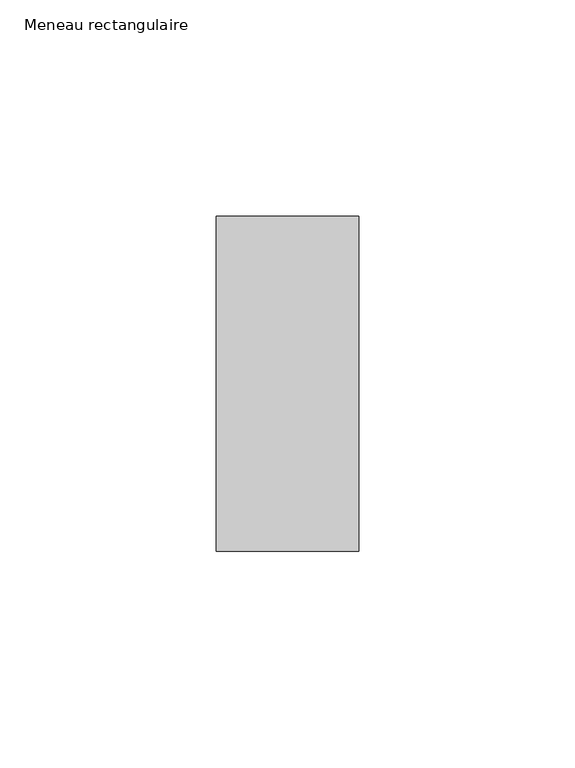
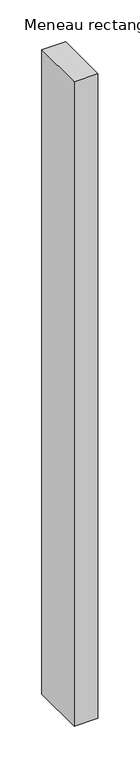
"""IFC4 building model written with IfcOpenShell, lengths in millimetres: member geometry, Meneau rectangulaire."""

from ifc_helpers import new_model, si_unit, frame, origin, place, context, project, spatial, polyline, outline, extrude, source, transform, mapped, element, save


def meneau_rectangulaire_d3f52e86(model_context):
    return source(origin(), model_context, "Body", "SweptSolid", [
        extrude(outline(polyline([(0.0, 38.75), (0.0, -38.75), (-33.0, -38.75), (-33.0, 38.75), (0.0, 38.75)])), frame((0.0, 0.0, -942.1707158), z_axis=(0.0, 0.0, 1.0), x_axis=(1.0, 0.0, 0.0)), (0.0, 0.0, 1.0), 942.1707158),
    ])


if __name__ == "__main__":
    model = new_model("IFC4")
    model_context = context("Model", 3, world=origin())
    ifc_project = project(units=[si_unit("LENGTHUNIT", "METRE", prefix="MILLI")], contexts=[model_context])
    site = spatial("IfcSite", under=ifc_project)
    building = spatial("IfcBuilding", under=site)
    placement = place(None, origin())
    meneau_rectangulaire_shape = meneau_rectangulaire_d3f52e86(model_context)
    element("IfcMember", 1, ObjectType="Meneau rectangulaire", at=placement, inside=building, context=model_context, shape_type="MappedRepresentation", body=[
        mapped(meneau_rectangulaire_shape, transform((0.0, 0.0, 0.0), x_axis=(1.0, 0.0, 0.0), y_axis=(0.0, 1.0, 0.0), z_axis=(0.0, 0.0, 1.0))),
    ])
    save(model, "model.ifc")
